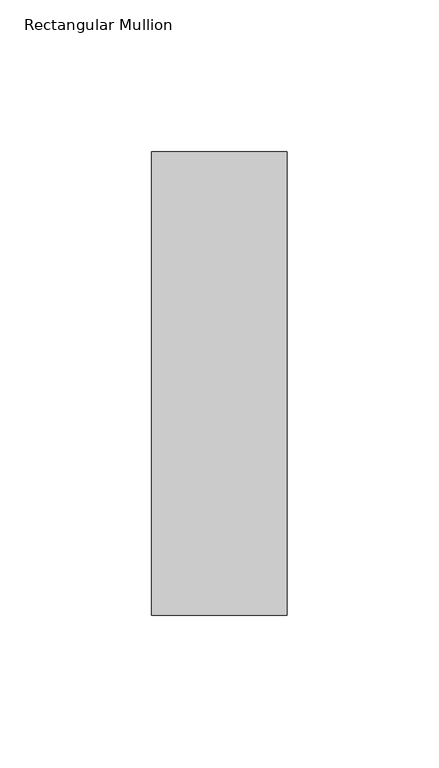
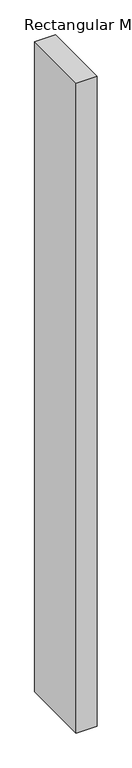
"""IFC4 building model written with IfcOpenShell, lengths in millimetres: member geometry, Rectangular Mullion."""

from ifc_helpers import new_model, si_unit, frame, origin, place, context, project, spatial, polyline, outline, extrude, source, transform, mapped, element, save


def rectangular_mullion_4670a8d7(model_context):
    return source(origin(), model_context, "Body", "SweptSolid", [
        extrude(outline(polyline([(22.225, 76.1906616), (22.225, -76.2033616), (-22.225, -76.2033616), (-22.225, 76.1906616), (22.225, 76.1906616)])), frame((0.0, 0.0, -1457.325), z_axis=(0.0, 0.0, 1.0), x_axis=(1.0, 0.0, 0.0)), (0.0, 0.0, 1.0), 1457.325),
    ])


if __name__ == "__main__":
    model = new_model("IFC4")
    model_context = context("Model", 3, world=origin())
    ifc_project = project(units=[si_unit("LENGTHUNIT", "METRE", prefix="MILLI")], contexts=[model_context])
    site = spatial("IfcSite", under=ifc_project)
    building = spatial("IfcBuilding", under=site)
    placement = place(None, origin())
    rectangular_mullion_shape = rectangular_mullion_4670a8d7(model_context)
    element("IfcMember", 1, ObjectType="Rectangular Mullion", at=placement, inside=building, context=model_context, shape_type="MappedRepresentation", body=[
        mapped(rectangular_mullion_shape, transform((0.0, 0.0, 0.0), x_axis=(1.0, 0.0, 0.0), y_axis=(0.0, 1.0, 0.0), z_axis=(0.0, 0.0, 1.0))),
    ])
    save(model, "model.ifc")
